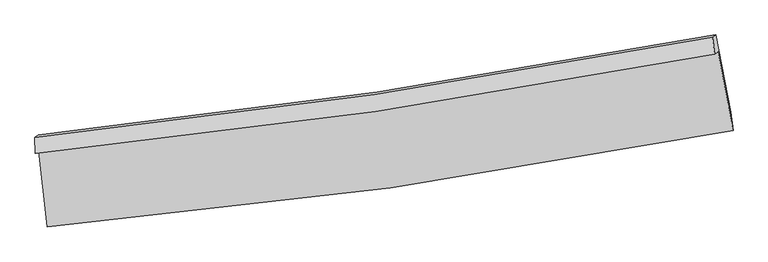
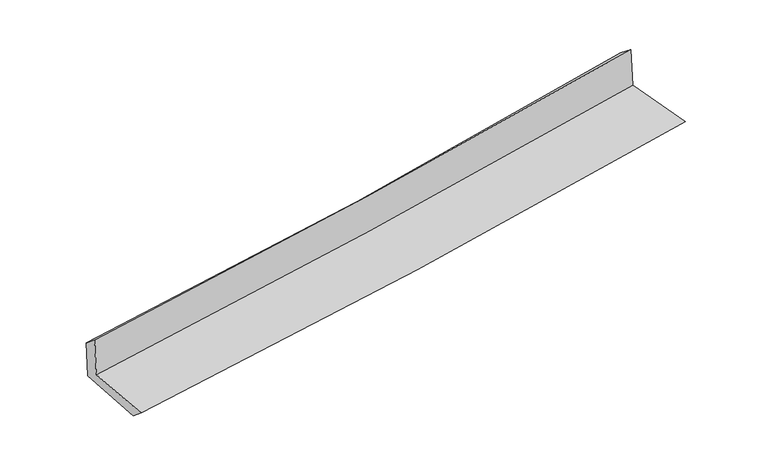
"""IFC4 building model written with IfcOpenShell, lengths in millimetres: proxy geometry."""

from ifc_helpers import new_model, si_unit, frame, origin, place, context, project, spatial, source, transform, mapped, element, save
from ifc_brep_helpers import plane_surface, spline_curve, spline_surface, advanced_brep


def generic_models_cde9d7fd(model_context):
    return source(origin(), model_context, "Body", "AdvancedBrep", [
        advanced_brep(
        [(-2970.9426122, -1900.6367551, 1638.8825572), (-2901.2502751, -2561.6649525, 1609.6142738), (3049.7426586, -1724.6978102, 2119.4115243), (2920.3886819, -1038.4957308, 2135.1345769), (-3001.6607511, -1921.8472227, 2036.3376508), (2889.2746161, -1059.9795805, 2537.7124783), (-3006.2658871, -1782.1507066, 1920.142127), (2871.8249339, -912.0687734, 2421.5172953), (-2977.2459111, -1762.112798, 1544.6591824), (2900.8493541, -892.0277961, 2045.9768481), (-2905.7050077, -2426.9212841, 1497.693958), (3030.2996059, -1563.5148781, 1997.6914891)],
        [
            (0, 1),
            (1, 2, spline_curve(3, [(-2901.2502751, -2561.6649525, 1609.6142738), (-1905.347541006, -2473.057173341, 1708.697633152), (-912.306795744, -2359.165432586, 1800.66313984), (1071.376774617, -2080.346530708, 1970.643455128), (2062.000340957, -1915.249223741, 2048.610365407), (3049.7426586, -1724.6978102, 2119.4115243)], [4, 2, 4], [0.0, 9.834575048786194, 19.70218491023276])),
            (2, 3),
            (3, 0, spline_curve(3, [(2920.3886819, -1038.4957308, 2135.1345769), (1942.022029692, -1228.11554132, 2070.239775224), (961.066926447, -1394.852691766, 1996.353649555), (-1002.727474105, -1682.080076358, 1830.876208208), (-1985.549468555, -1802.723267295, 1739.344993769), (-2970.9426122, -1900.6367551, 1638.8825572)], [4, 2, 4], [0.0, 9.867609861446565, 19.70218491023276])),
            (4, 0),
            (3, 5),
            (5, 4, spline_curve(3, [(2889.2746161, -1059.9795805, 2537.7124783), (1911.098439658, -1249.467870157, 2470.353153972), (930.271519015, -1416.116512115, 2394.808499614), (-1033.39132186, -1703.25305672, 2227.628843067), (-2016.209523771, -1823.893628716, 2136.048554671), (-3001.6607511, -1921.8472227, 2036.3376508)], [4, 2, 4], [0.0, 9.820999265602625, 19.609119761631636])),
            (6, 4),
            (5, 7),
            (7, 6, spline_curve(3, [(2871.8249339, -912.0687734, 2421.5172953), (1896.737550321, -1098.621924685, 2337.402353658), (918.526407916, -1264.492279977, 2253.493909273), (-1040.858079711, -1554.381339295, 2086.370233544), (-2022.010544147, -1678.538295003, 2003.153621775), (-3006.2658871, -1782.1507066, 1920.142127)], [4, 2, 4], [0.0, 9.810959783561477, 19.58907440775618])),
            (8, 6),
            (7, 9),
            (9, 8, spline_curve(3, [(2900.8493541, -892.0277961, 2045.9768481), (1924.73204519, -1079.292097384, 1975.187880683), (946.006431542, -1245.517688259, 1897.936059946), (-1013.376091631, -1535.405390888, 1730.786971082), (-1994.015566797, -1659.208134387, 1640.93290334), (-2977.2459111, -1762.112798, 1544.6591824)], [4, 2, 4], [0.0, 9.801280930397184, 19.56974910432004])),
            (10, 8),
            (9, 11),
            (11, 10, spline_curve(3, [(3030.2996059, -1563.5148781, 1997.6914891), (2044.038213145, -1748.847561523, 1928.84882175), (1055.407086563, -1913.550544961, 1852.678899627), (-923.276958234, -2201.214783086, 1685.964077861), (-1913.314036265, -2324.313935116, 1595.468156081), (-2905.7050077, -2426.9212841, 1497.693958)], [4, 2, 4], [0.0, 9.847484813185982, 19.662002188406014])),
            (1, 10),
            (11, 2),
        ],
        [
            spline_surface(3, 3, [[(-2970.9426122, -1900.6367551, 1638.8825572), (-1985.549468483, -1802.723267332, 1739.344993816), (-1002.727473959, -1682.080076378, 1830.876208139), (961.0669263, -1394.852691745, 1996.353649624), (1942.022029839, -1228.115541277, 2070.239775205), (2920.3886819, -1038.4957308, 2135.1345769)], [(-2947.711833186, -2120.979487578, 1629.126462726), (-1958.81549267, -2026.167902664, 1729.129206892), (-972.587247908, -1907.775195137, 1820.80518533), (997.836875816, -1623.350638028, 1987.783584842), (1982.014800193, -1457.160102133, 2063.029971954), (2963.506674141, -1267.229757277, 2129.893559362)], [(-2924.481054114, -2341.322220022, 1619.370368274), (-1932.081516801, -2249.612537962, 1718.913419989), (-942.447021941, -2133.470313918, 1810.73416251), (1034.606825249, -1851.848584333, 1979.21352005), (2022.007570524, -1686.204662958, 2055.820168716), (3006.624666359, -1495.963783723, 2124.652541838)], [(-2901.2502751, -2561.6649525, 1609.6142738), (-1905.347540988, -2473.057173294, 1708.697633065), (-912.306795891, -2359.165432677, 1800.663139701), (1071.376774765, -2080.346530617, 1970.643455268), (2062.000340878, -1915.249223814, 2048.610365465), (3049.7426586, -1724.6978102, 2119.4115243)]], [4, 4], [4, 2, 4], [0.0, 2.2612485553253476], [0.0, 9.834575048786194, 19.70218491023276]),
            spline_surface(3, 3, [[(-3001.6607511, -1921.8472227, 2036.3376508), (-2016.209523629, -1823.89362887, 2136.048554787), (-1033.391321949, -1703.253056791, 2227.628843102), (930.271519103, -1416.116512044, 2394.808499579), (1911.09843978, -1249.467870003, 2470.353153814), (2889.2746161, -1059.9795805, 2537.7124783)], [(-2991.421371444, -1914.777066842, 1903.852619586), (-2005.989505224, -1816.836841699, 2003.81403445), (-1023.170039284, -1696.195396665, 2095.377964797), (940.536654837, -1409.028571956, 2261.990216276), (1921.406303119, -1242.35042707, 2336.982027621), (2899.645971353, -1052.818297242, 2403.51984451)], [(-2981.181991856, -1907.706910958, 1771.367588414), (-1995.769486888, -1809.780054503, 1871.579514154), (-1012.948756623, -1689.137736504, 1963.127086445), (950.801790567, -1401.940631833, 2129.171932927), (1931.714166499, -1235.23298421, 2203.610901399), (2910.017326647, -1045.657014058, 2269.32721069)], [(-2970.9426122, -1900.6367551, 1638.8825572), (-1985.549468483, -1802.723267332, 1739.344993816), (-1002.727473959, -1682.080076378, 1830.876208139), (961.0669263, -1394.852691745, 1996.353649624), (1942.022029839, -1228.115541277, 2070.239775205), (2920.3886819, -1038.4957308, 2135.1345769)]], [4, 4], [4, 2, 4], [0.0, 1.3102245218470914], [0.0, 9.788120496029011, 19.609119761631636]),
            spline_surface(3, 3, [[(-3006.2658871, -1782.1507066, 1920.142127), (-2022.010544084, -1678.538294914, 2003.153621614), (-1040.858079613, -1554.381339155, 2086.370233518), (918.526407818, -1264.492280117, 2253.4939093), (1896.737550383, -1098.621924834, 2337.402353508), (2871.8249339, -912.0687734, 2421.5172953)], [(-3004.730841782, -1828.716211958, 1958.873968262), (-2020.076870614, -1726.990072891, 2047.451932667), (-1038.369160395, -1604.005245035, 2133.456436702), (922.441444909, -1315.033690761, 2300.598772715), (1901.52451354, -1148.903906587, 2381.719286919), (2877.641494658, -961.372375797, 2460.249022942)], [(-3003.195796418, -1875.281717342, 1997.605809538), (-2018.143197099, -1775.441850894, 2091.750243735), (-1035.880241167, -1653.629150911, 2180.542639918), (926.356482012, -1365.5751014, 2347.703636163), (1906.311476624, -1199.185888249, 2426.036220403), (2883.458055342, -1010.675978103, 2498.980750658)], [(-3001.6607511, -1921.8472227, 2036.3376508), (-2016.209523629, -1823.89362887, 2136.048554787), (-1033.391321949, -1703.253056791, 2227.628843102), (930.271519103, -1416.116512044, 2394.808499579), (1911.09843978, -1249.467870003, 2470.353153814), (2889.2746161, -1059.9795805, 2537.7124783)]], [4, 4], [4, 2, 4], [0.0, 0.677397366942043], [0.0, 9.778114624194702, 19.58907440775618]),
            spline_surface(3, 3, [[(-2977.2459111, -1762.112798, 1544.6591824), (-1994.015566682, -1659.208134253, 1640.932903423), (-1013.376091709, -1535.405390999, 1730.786971087), (946.00643162, -1245.517688147, 1897.936059941), (1924.73204508, -1079.292097435, 1975.18788084), (2900.8493541, -892.0277961, 2045.9768481)], [(-2986.919236431, -1768.792100854, 1669.820163964), (-2003.347225813, -1665.651521127, 1761.67314285), (-1022.536754339, -1541.730707057, 1849.314725241), (936.84642369, -1251.842552143, 2016.455343072), (1915.400546848, -1085.73537321, 2095.926038418), (2891.174547368, -898.708121842, 2171.156997189)], [(-2996.592561769, -1775.471403746, 1794.981145436), (-2012.678884952, -1672.09490804, 1882.413382187), (-1031.697416982, -1548.056023097, 1967.842479363), (927.686415748, -1258.167416121, 2134.97462617), (1906.069048614, -1092.178649059, 2216.664195929), (2881.499740632, -905.388447658, 2296.337146211)], [(-3006.2658871, -1782.1507066, 1920.142127), (-2022.010544084, -1678.538294914, 2003.153621614), (-1040.858079613, -1554.381339155, 2086.370233518), (918.526407818, -1264.492280117, 2253.4939093), (1896.737550383, -1098.621924834, 2337.402353508), (2871.8249339, -912.0687734, 2421.5172953)]], [4, 4], [4, 2, 4], [0.0, 1.171704079798208], [0.0, 9.768468173922855, 19.56974910432004]),
            spline_surface(3, 3, [[(-2905.7050077, -2426.9212841, 1497.693958), (-1913.314036305, -2324.313934964, 1595.468156205), (-923.27695821, -2201.214783134, 1685.964077744), (1055.407086538, -1913.550544913, 1852.678899745), (2044.038213032, -1748.847561434, 1928.84882188), (3030.2996059, -1563.5148781, 1997.6914891)], [(-2929.55197551, -2205.318455405, 1513.349032784), (-1940.214546441, -2102.612001399, 1610.623071929), (-953.310002708, -1979.27831909, 1700.905042164), (1018.940201567, -1690.872925991, 1867.764619782), (2004.269490384, -1525.662406784, 1944.29517484), (2987.149521969, -1339.685850784, 2013.78660874)], [(-2953.39894329, -1983.715626695, 1529.004107616), (-1967.115056547, -1880.910067818, 1625.777987699), (-983.34304721, -1757.341855044, 1715.846006667), (982.473316591, -1468.195307068, 1882.850339904), (1964.500767728, -1302.477252084, 1959.74152788), (2943.999438031, -1115.856823416, 2029.88172846)], [(-2977.2459111, -1762.112798, 1544.6591824), (-1994.015566682, -1659.208134253, 1640.932903423), (-1013.376091709, -1535.405390999, 1730.786971087), (946.00643162, -1245.517688147, 1897.936059941), (1924.73204508, -1079.292097435, 1975.18788084), (2900.8493541, -892.0277961, 2045.9768481)]], [4, 4], [4, 2, 4], [0.0, 2.2173573676642495], [0.0, 9.814517375220031, 19.662002188406014]),
            spline_surface(3, 3, [[(-2901.2502751, -2561.6649525, 1609.6142738), (-1905.347540988, -2473.057173294, 1708.697633065), (-912.306795891, -2359.165432677, 1800.663139701), (1071.376774765, -2080.346530617, 1970.643455268), (2062.000340878, -1915.249223814, 2048.610365465), (3049.7426586, -1724.6978102, 2119.4115243)], [(-2902.735185948, -2516.750396364, 1572.307501878), (-1908.003039409, -2423.476093847, 1670.954474123), (-915.963516694, -2306.51521615, 1762.430119058), (1066.053545325, -2024.747868702, 1931.32193677), (2056.012964908, -1859.782003012, 2008.68985096), (3043.261641012, -1670.970166158, 2078.838179257)], [(-2904.220096852, -2471.835840236, 1535.000729922), (-1910.658537885, -2373.89501441, 1633.211315148), (-919.620237406, -2253.864999662, 1724.197098387), (1060.730315978, -1969.149206827, 1892.000418243), (2050.025589002, -1804.314782236, 1968.769336385), (3036.780623488, -1617.242522142, 2038.264834143)], [(-2905.7050077, -2426.9212841, 1497.693958), (-1913.314036305, -2324.313934964, 1595.468156205), (-923.27695821, -2201.214783134, 1685.964077744), (1055.407086538, -1913.550544913, 1852.678899745), (2044.038213032, -1748.847561434, 1928.84882188), (3030.2996059, -1563.5148781, 1997.6914891)]], [4, 4], [4, 2, 4], [0.0, 0.656872377052305], [0.0, 9.870665003519138, 19.774486047599964]),
            plane_surface(frame((2943.7299751, -1198.4640948, 2209.5740353), z_axis=(0.9794529991122399, 0.1826759868654753, 0.08544768196249176), x_axis=(-0.07694842519082834, -0.05313186710735695, 0.9956183729513722))),
            plane_surface(frame((-2960.5117407, -2059.2222865, 1707.8882915), z_axis=(-0.9915098952917436, -0.10090368859642114, -0.0820156885369636), x_axis=(-0.10474758893571134, 0.9935254410649812, 0.04399023265214544))),
        ],
        [
            (0, [[1, 2, 3, 4]]),
            (1, [[5, -4, 6, 7]]),
            (2, [[8, -7, 9, 10]]),
            (3, [[11, -10, 12, 13]]),
            (4, [[14, -13, 15, 16]]),
            (5, [[17, -16, 18, -2]]),
            (6, [[-12, -9, -6, -3, -18, -15]]),
            (7, [[-1, -5, -8, -11, -14, -17]]),
        ],
    ),
    ])


if __name__ == "__main__":
    model = new_model("IFC4")
    model_context = context("Model", 3, world=origin())
    ifc_project = project(units=[si_unit("LENGTHUNIT", "METRE", prefix="MILLI")], contexts=[model_context])
    site = spatial("IfcSite", under=ifc_project)
    building = spatial("IfcBuilding", under=site)
    placement = place(None, origin())
    generic_models_shape = generic_models_cde9d7fd(model_context)
    element("IfcBuildingElementProxy", 1, Name="Generic Models", at=placement, inside=building, context=model_context, shape_type="MappedRepresentation", body=[
        mapped(generic_models_shape, transform((0.0, 0.0, 0.0), x_axis=(1.0, 0.0, 0.0), y_axis=(0.0, 1.0, 0.0), z_axis=(0.0, 0.0, 1.0))),
    ])
    save(model, "model.ifc")
